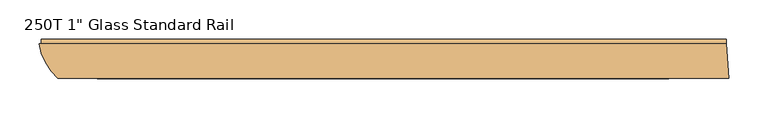
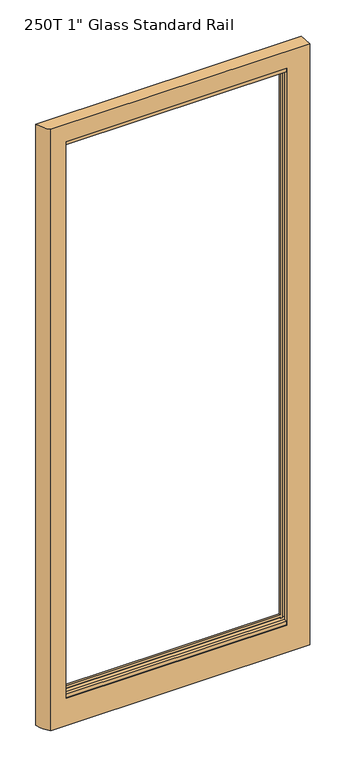
"""IFC4 building model written with IfcOpenShell, lengths in millimetres: door geometry."""

from ifc_helpers import new_model, si_unit, frame, origin, place, context, project, spatial, polyline, circle_curve, outline, extrude, source, transform, mapped, element, save
from ifc_brep_helpers import plane_surface, cylinder_surface, advanced_brep


def door_210cb68e(model_context):
    return source(origin(), model_context, "Body", "SolidModel", [
        advanced_brep(
        [(-441.5437266, -12.7, 2127.25), (438.5373512, -12.7, 2127.25), (438.5373512, -12.7, 17.4625), (-441.5437266, -12.7, 17.4625), (365.125, -12.7, 127.0), (365.125, -12.7, 2054.225), (-366.7125, -12.7, 2054.225), (-366.7125, -12.7, 127.0), (-366.7125, -15.875, 119.3799225), (-366.7125, -15.875, 114.3), (365.125, -15.875, 114.3), (365.125, -15.875, 119.3799225), (365.125, -53.975, 119.3799225), (365.125, -53.975, 114.3), (-366.7125, -53.975, 114.3), (-366.7125, -53.975, 119.3799225), (-366.7125, -55.5625, 127.0), (-366.7125, -55.5625, 114.3), (365.125, -55.5625, 114.3), (365.125, -55.5625, 127.0), (-366.7125, -53.975, 2061.5671875), (-366.7125, -53.975, 2066.925), (365.125, -53.975, 2066.925), (365.125, -53.975, 2061.5671875), (365.125, -15.875, 2061.5671875), (365.125, -15.875, 2066.925), (-366.7125, -15.875, 2066.925), (-366.7125, -15.875, 2061.5671875), (365.125, -55.5625, 2054.225), (365.125, -55.5625, 2066.925), (-366.7125, -55.5625, 2066.925), (-366.7125, -55.5625, 2054.225), (-366.7125, -19.84375, 127.0), (365.125, -19.84375, 127.0), (-366.7125, -19.84375, 119.3799225), (365.125, -19.84375, 119.3799225), (365.125, -45.24375, 119.3799225), (-366.7125, -45.24375, 119.3799225), (-366.7125, -45.24375, 127.0), (365.125, -45.24375, 127.0), (365.125, -19.84375, 2061.5671875), (-366.7125, -19.84375, 2061.5671875), (-366.7125, -19.84375, 2054.225), (365.125, -19.84375, 2054.225), (-366.7125, -45.24375, 2054.225), (365.125, -45.24375, 2054.225), (-366.7125, -45.24375, 2061.5671875), (365.125, -45.24375, 2061.5671875), (-417.5012723, -57.15, 2127.25), (442.11875, -57.15, 2127.25), (442.11875, -57.15, 17.4625), (-417.5012723, -57.15, 17.4625), (-385.7625, -15.875, 114.3), (-385.7625, -15.875, 2066.925), (-385.7625, -55.5625, 2066.925), (-385.7625, -55.5625, 114.3), (-366.7125, -57.15, 114.3), (-366.7125, -57.15, 2066.925), (365.125, -57.15, 2066.925), (365.125, -57.15, 114.3), (384.175, -55.5625, 114.3), (384.175, -55.5625, 2066.925), (384.175, -15.875, 2066.925), (384.175, -15.875, 114.3), (-366.7125, -19.84375, 114.3), (-374.0277013, -19.84375, 114.3), (-374.0277013, -15.875, 114.3), (-374.0277013, -55.5625, 114.3), (-374.0277013, -45.24375, 114.3), (-366.7125, -45.24375, 114.3), (365.125, -45.24375, 114.3), (372.4671875, -45.24375, 114.3), (372.4671875, -55.5625, 114.3), (372.4671875, -15.875, 114.3), (372.4671875, -19.84375, 114.3), (365.125, -19.84375, 114.3), (-366.7125, -45.24375, 2066.925), (-374.0277013, -45.24375, 2066.925), (-374.0277013, -55.5625, 2066.925), (-374.0277013, -15.875, 2066.925), (-374.0277013, -19.84375, 2066.925), (-366.7125, -19.84375, 2066.925), (365.125, -19.84375, 2066.925), (372.4671875, -19.84375, 2066.925), (372.4671875, -15.875, 2066.925), (372.4671875, -55.5625, 2066.925), (372.4671875, -45.24375, 2066.925), (365.125, -45.24375, 2066.925)],
        [
            (0, 1),
            (1, 2),
            (2, 3),
            (3, 0),
            (4, 5),
            (5, 6),
            (6, 7),
            (7, 4),
            (8, 9),
            (9, 10),
            (10, 11),
            (11, 8),
            (12, 13),
            (13, 14),
            (14, 15),
            (15, 12),
            (16, 17),
            (17, 18),
            (18, 19),
            (19, 16),
            (20, 21),
            (21, 22),
            (22, 23),
            (23, 20),
            (24, 25),
            (25, 26),
            (26, 27),
            (27, 24),
            (28, 29),
            (29, 30),
            (30, 31),
            (31, 28),
            (7, 32),
            (32, 33),
            (33, 4),
            (34, 8),
            (11, 35),
            (35, 34),
            (36, 12),
            (15, 37),
            (37, 36),
            (38, 16),
            (19, 39),
            (39, 38),
            (40, 24),
            (27, 41),
            (41, 40),
            (42, 6),
            (5, 43),
            (43, 42),
            (31, 44),
            (44, 45),
            (45, 28),
            (46, 20),
            (23, 47),
            (47, 46),
            (48, 49),
            (49, 1),
            (0, 48, circle_curve(frame((-364.9527085, 0.0, 2127.25), z_axis=(0.0, 0.0, 1.0), x_axis=(1.0, 0.0, 0.0)), 77.6368087)),
            (2, 50),
            (50, 51),
            (51, 3, circle_curve(frame((-364.9527085, 0.0, 17.4625), z_axis=(0.0, 0.0, -1.0), x_axis=(1.0, 0.0, 0.0)), 77.6368087)),
            (51, 48),
            (52, 53),
            (53, 54),
            (54, 55),
            (55, 52),
            (50, 49),
            (56, 57),
            (57, 58),
            (58, 59),
            (59, 56),
            (60, 61),
            (61, 62),
            (62, 63),
            (63, 60),
            (9, 64),
            (64, 65),
            (65, 66),
            (66, 52),
            (55, 67),
            (67, 68),
            (68, 69),
            (69, 14),
            (13, 70),
            (70, 71),
            (71, 72),
            (72, 60),
            (63, 73),
            (73, 74),
            (74, 75),
            (75, 10),
            (17, 56),
            (59, 18),
            (21, 76),
            (76, 77),
            (77, 78),
            (78, 54),
            (53, 79),
            (79, 80),
            (80, 81),
            (81, 26),
            (25, 82),
            (82, 83),
            (83, 84),
            (84, 62),
            (61, 85),
            (85, 86),
            (86, 87),
            (87, 22),
            (29, 58),
            (57, 30),
            (78, 67),
            (72, 85),
            (66, 79),
            (84, 73),
            (42, 32),
            (81, 41),
            (34, 64),
            (65, 80),
            (69, 37),
            (38, 44),
            (46, 76),
            (77, 68),
            (87, 47),
            (36, 70),
            (45, 39),
            (71, 86),
            (33, 43),
            (75, 35),
            (40, 82),
            (83, 74),
        ],
        [
            plane_surface(frame((-366.7125, -12.7, 114.3), z_axis=(0.0, 1.0, 0.0), x_axis=(1.0, 0.0, 0.0))),
            plane_surface(frame((-366.7125, -15.875, 119.3799225), z_axis=(0.0, -1.0, 0.0), x_axis=(1.0, 0.0, 0.0))),
            plane_surface(frame((-366.7125, -53.975, 114.3), z_axis=(0.0, 1.0, 0.0), x_axis=(1.0, 0.0, 0.0))),
            plane_surface(frame((-366.7125, -55.5625, 119.3799225), z_axis=(0.0, -1.0, 0.0), x_axis=(1.0, 0.0, 0.0))),
            plane_surface(frame((-366.7125, -53.975, 2061.5671875), z_axis=(0.0, 1.0, 0.0), x_axis=(1.0, 0.0, 0.0))),
            plane_surface(frame((-366.7125, -15.875, 2066.925), z_axis=(0.0, -1.0, 0.0), x_axis=(1.0, 0.0, 0.0))),
            plane_surface(frame((-366.7125, -55.5625, 2066.925), z_axis=(0.0, -1.0, 0.0), x_axis=(1.0, 0.0, 0.0))),
            plane_surface(frame((-366.7125, -12.7, 127.0), z_axis=(0.0, 0.0, 1.0), x_axis=(1.0, 0.0, 0.0))),
            plane_surface(frame((-366.7125, -19.84375, 119.3799225), z_axis=(0.0, 0.0, -1.0), x_axis=(1.0, 0.0, 0.0))),
            plane_surface(frame((-366.7125, -55.5625, 119.3799225), z_axis=(0.0, 0.0, -1.0), x_axis=(1.0, 0.0, 0.0))),
            plane_surface(frame((-366.7125, -45.24375, 127.0), z_axis=(0.0, 0.0, 1.0), x_axis=(1.0, 0.0, 0.0))),
            plane_surface(frame((-366.7125, -12.7, 2061.5671875), z_axis=(0.0, 0.0, 1.0), x_axis=(1.0, 0.0, 0.0))),
            plane_surface(frame((-366.7125, -19.84375, 2054.225), z_axis=(0.0, 0.0, -1.0), x_axis=(1.0, 0.0, 0.0))),
            plane_surface(frame((-366.7125, -55.5625, 2054.225), z_axis=(0.0, 0.0, -1.0), x_axis=(1.0, 0.0, 0.0))),
            plane_surface(frame((-366.7125, -45.24375, 2061.5671875), z_axis=(0.0, 0.0, 1.0), x_axis=(1.0, 0.0, 0.0))),
            plane_surface(frame((-287.3158998, 0.0, 2127.25), z_axis=(0.0, 0.0, 1.0), x_axis=(0.0, -1.0, 0.0))),
            plane_surface(frame((-287.3158998, 0.0, 17.4625), z_axis=(0.0, 0.0, -1.0), x_axis=(0.0, 1.0, 0.0))),
            cylinder_surface(frame((-364.9527085, 0.0, 17.4625), z_axis=(0.0, 0.0, 1.0), x_axis=(1.0, 0.0, 0.0)), 77.6368087),
            plane_surface(frame((-385.7625, -12.7, 2127.25), z_axis=(1.0, 0.0, 0.0), x_axis=(0.0, 0.0, -1.0))),
            plane_surface(frame((-385.7625, -57.15, 2127.25), z_axis=(0.0, -1.0, 0.0), x_axis=(0.0, 0.0, -1.0))),
            plane_surface(frame((384.175, -57.15, 2127.25), z_axis=(-1.0, 0.0, 0.0), x_axis=(0.0, 0.0, -1.0))),
            plane_surface(frame((438.5373512, -12.7, 2127.25), z_axis=(0.9967698431043912, 0.08031114416846193, 0.0), x_axis=(0.0, 0.0, -1.0))),
            plane_surface(frame((-385.7625, -12.7, 114.3), z_axis=(0.0, 0.0, 1.0), x_axis=(1.0, 0.0, 0.0))),
            plane_surface(frame((-385.7625, -57.15, 2066.925), z_axis=(0.0, 0.0, -1.0), x_axis=(1.0, 0.0, 0.0))),
            plane_surface(frame((-385.7625, -55.5625, 2066.925), z_axis=(0.0, 1.0, 0.0), x_axis=(0.0, 0.0, -1.0))),
            plane_surface(frame((372.4671875, -55.5625, 2066.925), z_axis=(0.0, 1.0, 0.0), x_axis=(0.0, 0.0, -1.0))),
            plane_surface(frame((-374.0277013, -15.875, 2066.925), z_axis=(0.0, -1.0, 0.0), x_axis=(0.0, 0.0, -1.0))),
            plane_surface(frame((384.175, -15.875, 2066.925), z_axis=(0.0, -1.0, 0.0), x_axis=(0.0, 0.0, -1.0))),
            plane_surface(frame((-366.7125, -12.7, 2066.925), z_axis=(1.0, 0.0, 0.0), x_axis=(0.0, 0.0, -1.0))),
            plane_surface(frame((-374.0277013, -19.84375, 2066.925), z_axis=(-1.0, 0.0, 0.0), x_axis=(0.0, 0.0, -1.0))),
            plane_surface(frame((-366.7125, -45.24375, 2066.925), z_axis=(1.0, 0.0, 0.0), x_axis=(0.0, 0.0, -1.0))),
            plane_surface(frame((-374.0277013, -57.15, 2066.925), z_axis=(-1.0, 0.0, 0.0), x_axis=(0.0, 0.0, -1.0))),
            plane_surface(frame((365.125, -57.15, 2066.925), z_axis=(-1.0, 0.0, 0.0), x_axis=(0.0, 0.0, -1.0))),
            plane_surface(frame((372.4671875, -45.24375, 2066.925), z_axis=(1.0, 0.0, 0.0), x_axis=(0.0, 0.0, -1.0))),
            plane_surface(frame((365.125, -19.84375, 2066.925), z_axis=(-1.0, 0.0, 0.0), x_axis=(0.0, 0.0, -1.0))),
            plane_surface(frame((372.4671875, -12.7, 2066.925), z_axis=(1.0, 0.0, 0.0), x_axis=(0.0, 0.0, -1.0))),
            plane_surface(frame((-366.7125, -45.24375, 119.3799225), z_axis=(0.0, 1.0, 0.0), x_axis=(1.0, 0.0, 0.0))),
            plane_surface(frame((-366.7125, -19.84375, 127.0), z_axis=(0.0, -1.0, 0.0), x_axis=(1.0, 0.0, 0.0))),
        ],
        [
            (0, [[1, 2, 3, 4], [5, 6, 7, 8]]),
            (1, [[9, 10, 11, 12]]),
            (2, [[13, 14, 15, 16]]),
            (3, [[17, 18, 19, 20]]),
            (4, [[21, 22, 23, 24]]),
            (5, [[25, 26, 27, 28]]),
            (6, [[29, 30, 31, 32]]),
            (7, [[33, 34, 35, -8]]),
            (8, [[36, -12, 37, 38]]),
            (9, [[39, -16, 40, 41]]),
            (10, [[42, -20, 43, 44]]),
            (11, [[45, -28, 46, 47]]),
            (12, [[48, -6, 49, 50]]),
            (13, [[51, 52, 53, -32]]),
            (14, [[54, -24, 55, 56]]),
            (15, [[57, 58, -1, 59]]),
            (16, [[-3, 60, 61, 62]]),
            (17, [[-4, -62, 63, -59]]),
            (18, [[64, 65, 66, 67]]),
            (19, [[-61, 68, -57, -63], [69, 70, 71, 72]]),
            (20, [[73, 74, 75, 76]]),
            (21, [[-68, -60, -2, -58]]),
            (22, [[77, 78, 79, 80, -67, 81, 82, 83, 84, -14, 85, 86, 87, 88, -76, 89, 90, 91, 92, -10]]),
            (22, [[93, -72, 94, -18]]),
            (23, [[95, 96, 97, 98, -65, 99, 100, 101, 102, -26, 103, 104, 105, 106, -74, 107, 108, 109, 110, -22]]),
            (23, [[111, -70, 112, -30]]),
            (24, [[-98, 113, -81, -66]]),
            (25, [[-88, 114, -107, -73]]),
            (26, [[-80, 115, -99, -64]]),
            (27, [[-106, 116, -89, -75]]),
            (28, [[-33, -7, -48, 117]]),
            (28, [[-46, -27, -102, 118]]),
            (28, [[-77, -9, -36, 119]]),
            (29, [[-100, -115, -79, 120]]),
            (30, [[-40, -15, -84, 121]]),
            (30, [[-93, -17, -42, 122, -51, -31, -112, -69]]),
            (30, [[-95, -21, -54, 123]]),
            (31, [[-82, -113, -97, 124]]),
            (32, [[-55, -23, -110, 125]]),
            (32, [[-85, -13, -39, 126]]),
            (32, [[-111, -29, -53, 127, -43, -19, -94, -71]]),
            (33, [[-108, -114, -87, 128]]),
            (34, [[-35, 129, -49, -5]]),
            (34, [[-37, -11, -92, 130]]),
            (34, [[-103, -25, -45, 131]]),
            (35, [[-90, -116, -105, 132]]),
            (36, [[-121, -83, -124, -96, -123, -56, -125, -109, -128, -86, -126, -41], [-44, -127, -52, -122]]),
            (37, [[-101, -120, -78, -119, -38, -130, -91, -132, -104, -131, -47, -118], [-117, -50, -129, -34]]),
        ],
    ),
        extrude(outline(polyline([(-12.7, 39.7856604), (-6.7437, 38.3005881), (-6.7437, 17.4625), (-12.7, 17.4625), (-12.7, 39.7856604)])), frame((-438.6677763, 0.0, 0.0), z_axis=(1.0, 0.0, 0.0), x_axis=(0.0, 1.0, 0.0)), (0.0, 0.0, 1.0), 877.2051274),
    ])


if __name__ == "__main__":
    model = new_model("IFC4")
    model_context = context("Model", 3, world=origin())
    ifc_project = project(units=[si_unit("LENGTHUNIT", "METRE", prefix="MILLI")], contexts=[model_context])
    site = spatial("IfcSite", under=ifc_project)
    building = spatial("IfcBuilding", under=site)
    placement = place(None, origin())
    door_shape = door_210cb68e(model_context)
    element("IfcDoor", 1, ObjectType="250T 1\" Glass Standard Rail", at=placement, inside=building, context=model_context, shape_type="MappedRepresentation", body=[
        mapped(door_shape, transform((0.0, 0.0, 0.0), x_axis=(1.0, 0.0, 0.0), y_axis=(0.0, 1.0, 0.0), z_axis=(0.0, 0.0, 1.0))),
    ])
    save(model, "model.ifc")
